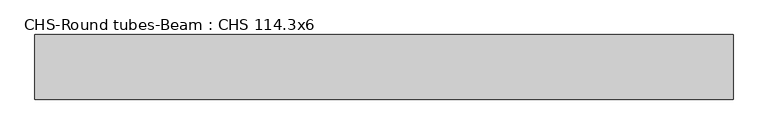
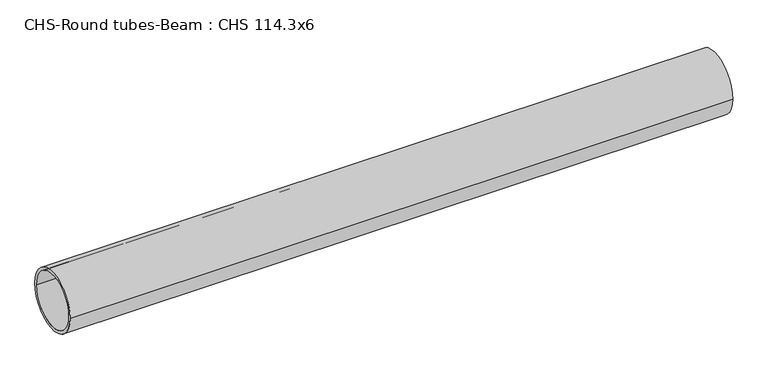
"""IFC4 building model written with IfcOpenShell, lengths in millimetres: beam geometry, CHS-Round tubes-Beam : CHS 114.3x6."""

import ifcopenshell
import ifcopenshell.guid

model = None  # the IFC model being written
_history = None  # IfcOwnerHistory: only IFC2X3 demands one
_inside = {}  # id of a spatial element -> (the spatial element, [elements in it])
_under = {}  # id of a project, library or spatial element -> (it, [spatial elements below it])
_declared = {}  # id of a project -> (the project, [libraries it declares])
_typed = {}  # id of a type object -> (the type object, [elements of that type])
_made_of = {}  # id of a material, layer set ... -> (it, [elements and type objects made of it])


def new_model(schema):
    """Start an empty IFC model of exactly this schema.

    Asked for "IFC4X3", IfcOpenShell would pick the latest addendum, in which some entities
    have other attributes; the version numbers below select the first issue.
    IFC2X3 requires an IfcOwnerHistory on every rooted entity: one is made here for all.
    """
    global model, _history
    if schema == "IFC4X3":
        model = ifcopenshell.file(schema_version=(4, 3, 0, 0))
    else:
        model = ifcopenshell.file(schema=schema)
    _inside.clear()
    _under.clear()
    _declared.clear()
    _typed.clear()
    _made_of.clear()
    _history = None
    if model.schema == "IFC2X3":
        org = make("IfcOrganization", Name="unknown")
        user = make(
            "IfcPersonAndOrganization",
            ThePerson=make("IfcPerson", FamilyName="unknown"),
            TheOrganization=org,
        )
        app = make(
            "IfcApplication",
            ApplicationDeveloper=org,
            Version="unknown",
            ApplicationFullName="unknown",
            ApplicationIdentifier="unknown",
        )
        _history = make(
            "IfcOwnerHistory",
            OwningUser=user,
            OwningApplication=app,
            ChangeAction="ADDED",
            CreationDate=0,
        )
    return model


def make(cls, **values):
    """One entity of the class cls with the attributes given. An attribute that is None is left unset."""
    return model.create_entity(
        cls, **{name: value for name, value in values.items() if value is not None}
    )


def rooted(cls, **values):
    """An entity with a GlobalId (a new one), such as an element, a storey or a relation."""
    return make(cls, GlobalId=ifcopenshell.guid.new(), OwnerHistory=_history, **values)


def si_unit(unit_type, name, prefix=None):
    """IfcSIUnit, for example si_unit("LENGTHUNIT", "METRE", prefix="MILLI")."""
    return make("IfcSIUnit", UnitType=unit_type, Prefix=prefix, Name=name)


def assignment(units):
    """IfcUnitAssignment: the units of a project."""
    return None if units is None else make("IfcUnitAssignment", Units=units)


def point(xyz):
    """IfcCartesianPoint."""
    return None if xyz is None else make("IfcCartesianPoint", Coordinates=xyz)


def direction(xyz):
    """IfcDirection."""
    return None if xyz is None else make("IfcDirection", DirectionRatios=xyz)


def frame(location, z_axis=None, x_axis=None):
    """IfcAxis2Placement3D, a coordinate frame: its origin and axes. An axis left out is left unset."""
    return make(
        "IfcAxis2Placement3D",
        Location=point(location),
        Axis=direction(z_axis),
        RefDirection=direction(x_axis),
    )


def frame_2d(location, x_axis=None):
    """IfcAxis2Placement2D, a coordinate frame in the plane: its origin and x axis."""
    return make(
        "IfcAxis2Placement2D", Location=point(location), RefDirection=direction(x_axis)
    )


def origin():
    """The frame at (0, 0, 0) with its axes left unset."""
    return frame((0.0, 0.0, 0.0))


def origin_2d():
    """The frame at (0, 0) in the plane with its x axis left unset."""
    return frame_2d((0.0, 0.0))


def place(relative_to, where):
    """IfcLocalPlacement: puts the frame where relative to a parent placement (None: the world)."""
    return make(
        "IfcLocalPlacement", PlacementRelTo=relative_to, RelativePlacement=where
    )


def context(
    kind, dimensions, precision=None, world=None, true_north=None, identifier=None
):
    """IfcGeometricRepresentationContext, for example the 3D "Model" context."""
    return make(
        "IfcGeometricRepresentationContext",
        ContextIdentifier=identifier,
        ContextType=kind,
        CoordinateSpaceDimension=dimensions,
        Precision=precision,
        WorldCoordinateSystem=world,
        TrueNorth=true_north,
    )


def project(units=None, contexts=None):
    """IfcProject with its units and contexts."""
    return rooted(
        "IfcProject",
        Name="project",
        RepresentationContexts=contexts,
        UnitsInContext=assignment(units),
    )


def spatial(cls, under=None, at=None, **own):
    """A site, building, storey or space (cls), placed at a placement, below another one or the project."""
    s = rooted(cls, ObjectPlacement=at, **own)
    if under is not None:
        _under.setdefault(under.id(), (under, []))[1].append(s)
    return s


def circle_curve(where, radius):
    """IfcCircle in the frame where."""
    return make("IfcCircle", Position=where, Radius=radius)


def trimmed(basis, trim1, trim2, sense, master):
    """IfcTrimmedCurve: the piece of a basis curve between two trims."""
    return make(
        "IfcTrimmedCurve",
        BasisCurve=basis,
        Trim1=trim1,
        Trim2=trim2,
        SenseAgreement=sense,
        MasterRepresentation=master,
    )


def segment(curve, same_sense, transition):
    """IfcCompositeCurveSegment."""
    return make(
        "IfcCompositeCurveSegment",
        Transition=transition,
        SameSense=same_sense,
        ParentCurve=curve,
    )


def composite_curve(segments, self_intersect=None):
    """IfcCompositeCurve: segments joined end to end."""
    return make("IfcCompositeCurve", Segments=segments, SelfIntersect=self_intersect)


def outline(outer, holes=None, kind="AREA"):
    """IfcArbitraryClosedProfileDef: a profile drawn as a closed curve; with holes, ...WithVoids."""
    if holes is None:
        return make("IfcArbitraryClosedProfileDef", ProfileType=kind, OuterCurve=outer)
    return make(
        "IfcArbitraryProfileDefWithVoids",
        ProfileType=kind,
        OuterCurve=outer,
        InnerCurves=holes,
    )


def extrude(swept, where, along, depth):
    """IfcExtrudedAreaSolid: the profile swept, set in the frame where, extruded along a direction by depth."""
    return make(
        "IfcExtrudedAreaSolid",
        SweptArea=swept,
        Position=where,
        ExtrudedDirection=direction(along),
        Depth=depth,
    )


def shape(context_of_items, identifier, shape_type, items):
    """IfcShapeRepresentation: the items that make up one representation, for example the "Body"."""
    return make(
        "IfcShapeRepresentation",
        ContextOfItems=context_of_items,
        RepresentationIdentifier=identifier,
        RepresentationType=shape_type,
        Items=items,
    )


def source(mapping_origin, context_of_items, identifier, shape_type, items):
    """IfcRepresentationMap: a shape defined once, which mapped items show again and again."""
    return make(
        "IfcRepresentationMap",
        MappingOrigin=mapping_origin,
        MappedRepresentation=shape(context_of_items, identifier, shape_type, items),
    )


def transform(
    local_origin,
    x_axis=None,
    y_axis=None,
    z_axis=None,
    scale=None,
    scale2=None,
    scale3=None,
    uniform=True,
):
    """IfcCartesianTransformationOperator3D, or its non-uniform kind. x_axis, y_axis, z_axis: its Axis1, 2, 3."""
    if uniform:
        return make(
            "IfcCartesianTransformationOperator3D",
            Axis1=direction(x_axis),
            Axis2=direction(y_axis),
            LocalOrigin=point(local_origin),
            Scale=scale,
            Axis3=direction(z_axis),
        )
    return make(
        "IfcCartesianTransformationOperator3DnonUniform",
        Axis1=direction(x_axis),
        Axis2=direction(y_axis),
        LocalOrigin=point(local_origin),
        Scale=scale,
        Axis3=direction(z_axis),
        Scale2=scale2,
        Scale3=scale3,
    )


def mapped(mapping_source, mapping_target):
    """IfcMappedItem: shows the shape of a source again, moved by a transform."""
    return make(
        "IfcMappedItem", MappingSource=mapping_source, MappingTarget=mapping_target
    )


def made_of(thing, what):
    """Note that an element or type object is made of a material, layer set ...; save() writes the relation."""
    if what is not None:
        _made_of.setdefault(what.id(), (what, []))[1].append(thing)
    return thing


def element(
    cls,
    number,
    at=None,
    inside=None,
    cuts=None,
    type_object=None,
    material=None,
    context=None,
    identifier="Body",
    shape_type=None,
    held_by="IfcProductDefinitionShape",
    body=None,
    shapes=None,
    **own,
):
    """One element of the class cls, such as IfcWall. Its Tag is "e" and its number.

    at: its placement. inside: the storey or other place that contains it. cuts: it is an
    opening in that element (IfcRelVoidsElement). A single representation is given by context,
    identifier, shape_type and body (its items); several are given by shapes. held_by: the class
    of the entity that holds the representations. save() writes the other relations.
    """
    e = rooted(cls, Tag="e%d" % number, ObjectPlacement=at, **own)
    if body is not None:
        shapes = [shape(context, identifier, shape_type, body)]
    if shapes is not None:
        e.Representation = make(held_by, Representations=shapes)
    if inside is not None:
        _inside.setdefault(inside.id(), (inside, []))[1].append(e)
    if cuts is not None:
        rooted(
            "IfcRelVoidsElement", RelatingBuildingElement=cuts, RelatedOpeningElement=e
        )
    if type_object is not None:
        _typed.setdefault(type_object.id(), (type_object, []))[1].append(e)
    return made_of(e, material)


def aggregate(whole, parts):
    """IfcRelAggregates: a whole, such as a stair, and the parts it consists of."""
    return rooted("IfcRelAggregates", RelatingObject=whole, RelatedObjects=parts)


def save(model, path):
    """Write the relations noted so far, then the file.

    IfcRelAggregates (storeys below a building ...), IfcRelContainedInSpatialStructure (elements
    in a storey), IfcRelDefinesByType, IfcRelAssociatesMaterial and IfcRelDeclares: one each for
    every whole, place, type object, material and project.
    """
    for whole, parts in _under.values():
        aggregate(whole, parts)
    for where, things in _inside.values():
        rooted(
            "IfcRelContainedInSpatialStructure",
            RelatedElements=things,
            RelatingStructure=where,
        )
    for kind, things in _typed.values():
        rooted("IfcRelDefinesByType", RelatedObjects=things, RelatingType=kind)
    for what, things in _made_of.values():
        rooted("IfcRelAssociatesMaterial", RelatedObjects=things, RelatingMaterial=what)
    for by, libraries in _declared.values():
        rooted("IfcRelDeclares", RelatingContext=by, RelatedDefinitions=libraries)
    model.write(path)


def chs_round_tubes_beam_chs_114_3x6_bff55e86(model_context):
    return source(origin(), model_context, "Body", "SweptSolid", [
        extrude(outline(composite_curve([segment(trimmed(circle_curve(origin_2d(), 57.15), [point((57.15, 0.0))], [point((-57.15, 0.0))], False, "CARTESIAN"), True, "CONTINUOUS"), segment(trimmed(circle_curve(origin_2d(), 57.15), [point((-57.15, 0.0))], [point((57.15, 0.0))], False, "CARTESIAN"), True, "CONTINUOUS")], self_intersect=False), holes=[composite_curve([segment(trimmed(circle_curve(origin_2d(), 51.15), [point((51.15, 0.0))], [point((-51.15, 0.0))], True, "CARTESIAN"), True, "CONTINUOUS"), segment(trimmed(circle_curve(origin_2d(), 51.15), [point((-51.15, 0.0))], [point((51.15, 0.0))], True, "CARTESIAN"), True, "CONTINUOUS")], self_intersect=False)]), frame((-627.3287525, 0.0, 0.0), z_axis=(1.0, 0.0, 0.0), x_axis=(0.0, 1.0, 0.0)), (0.0, 0.0, 1.0), 1235.3152701),
    ])


if __name__ == "__main__":
    model = new_model("IFC4")
    model_context = context("Model", 3, world=origin())
    ifc_project = project(units=[si_unit("LENGTHUNIT", "METRE", prefix="MILLI")], contexts=[model_context])
    site = spatial("IfcSite", under=ifc_project)
    building = spatial("IfcBuilding", under=site)
    placement = place(None, origin())
    chs_round_tubes_beam_chs_114_3x6_shape = chs_round_tubes_beam_chs_114_3x6_bff55e86(model_context)
    element("IfcBeam", 1, ObjectType="CHS-Round tubes-Beam : CHS 114.3x6", at=placement, inside=building, context=model_context, shape_type="MappedRepresentation", body=[
        mapped(chs_round_tubes_beam_chs_114_3x6_shape, transform((0.0, 0.0, 0.0), x_axis=(1.0, 0.0, 0.0), y_axis=(0.0, 1.0, 0.0), z_axis=(0.0, 0.0, 1.0))),
    ])
    save(model, "model.ifc")
